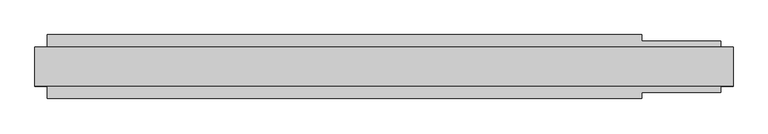
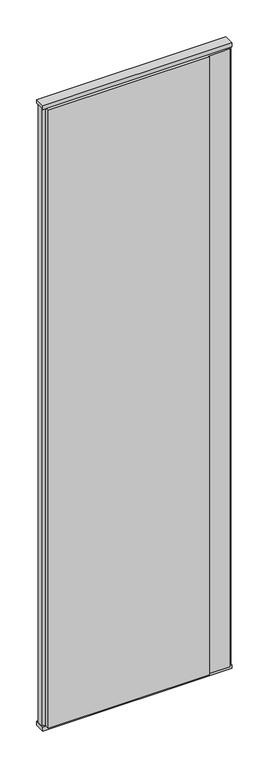
"""IFC4 building model written with IfcOpenShell, lengths in millimetres: plate geometry."""

from ifc_helpers import new_model, si_unit, frame, origin, origin_with_axes, place, context, project, spatial, polyline, outline, extrude, source, transform, mapped, element, save


def plate_377f7d80(model_context):
    return source(origin(), model_context, "Body", "SweptSolid", [
        extrude(outline(polyline([(422.9166667, 52.5), (422.9166667, 42.5), (552.9166667, 42.5), (552.9166667, 22.9993165), (572.9166667, 17.6401049), (572.9166667, -17.6401049), (552.9166667, -22.9993165), (552.9166667, -42.5), (422.9166667, -42.5), (422.9166667, -52.5), (-552.9166667, -52.5), (-552.9166667, -22.9993165), (-572.9166667, -17.6401049), (-572.9166667, 17.6401049), (-552.9166667, 22.9993165), (-552.9166667, 52.5), (422.9166667, 52.5)])), frame((0.0, 0.0, 25.0), z_axis=(0.0, 0.0, 1.0), x_axis=(1.0, 0.0, 0.0)), (0.0, 0.0, 1.0), 3950.0),
        extrude(outline(polyline([(572.9166667, 32.0), (572.9166667, -32.0), (-572.9166667, -32.0), (-572.9166667, 32.0), (572.9166667, 32.0)])), origin_with_axes(), (0.0, 0.0, 1.0), 25.0),
        extrude(outline(polyline([(572.9166667, 32.0), (572.9166667, -32.0), (-572.9166667, -32.0), (-572.9166667, 32.0), (572.9166667, 32.0)])), frame((0.0, 0.0, 3975.0), z_axis=(0.0, 0.0, 1.0), x_axis=(1.0, 0.0, 0.0)), (0.0, 0.0, 1.0), 25.0),
    ])


if __name__ == "__main__":
    model = new_model("IFC4")
    model_context = context("Model", 3, world=origin())
    ifc_project = project(units=[si_unit("LENGTHUNIT", "METRE", prefix="MILLI")], contexts=[model_context])
    site = spatial("IfcSite", under=ifc_project)
    building = spatial("IfcBuilding", under=site)
    placement = place(None, origin())
    plate_shape = plate_377f7d80(model_context)
    element("IfcPlate", 1, at=placement, inside=building, context=model_context, shape_type="MappedRepresentation", body=[
        mapped(plate_shape, transform((0.0, 0.0, 0.0), x_axis=(1.0, 0.0, 0.0), y_axis=(0.0, 1.0, 0.0), z_axis=(0.0, 0.0, 1.0))),
    ])
    save(model, "model.ifc")
